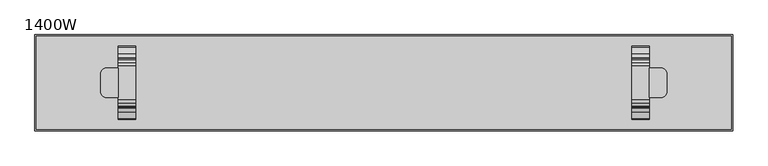
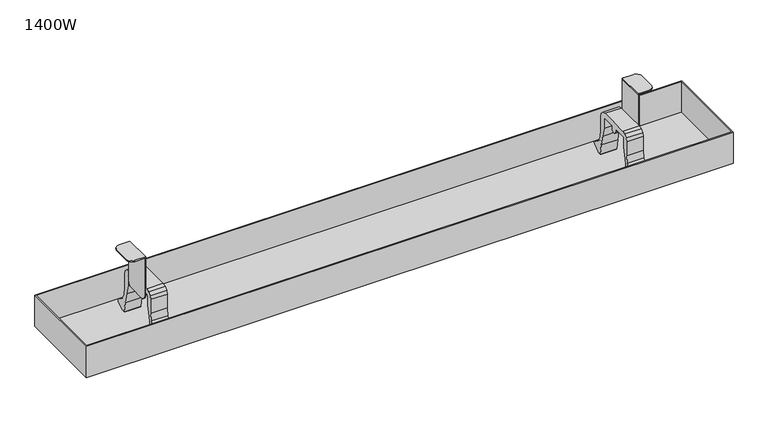
"""IFC4 building model written with IfcOpenShell, lengths in millimetres: furniture geometry, 1400W."""

from ifc_helpers import new_model, si_unit, point, frame, frame_2d, origin, place, context, project, spatial, polyline, circle_curve, trimmed, segment, composite_curve, outline, extrude, faceted_brep, source, transform, mapped, element, save
from ifc_brep_helpers import plane_surface, cylinder_surface, advanced_brep


def furniture_1400w_ddcd06ac(model_context):
    return source(origin(), model_context, "Body", "SolidModel", [
        extrude(outline(composite_curve([segment(polyline([(28.25, 655.6089449), (34.75, 653.8672752), (39.5083302, 649.1089449), (41.25, 642.6089449), (41.25, 615.6089449), (42.9555126, 601.8121279), (49.9457921, 589.7956007), (61.0960118, 581.4929784), (62.5288578, 580.072514), (62.737976, 578.0657663), (61.6287805, 576.3804021), (49.988664, 567.6162242), (49.988664, 564.2297166), (51.9354374, 563.6484872), (53.2695938, 561.9968693), (53.406724, 559.8781409), (52.2966018, 558.0683222), (42.3770369, 549.4873279)]), True, "CONTINUOUS"), segment(trimmed(circle_curve(frame_2d((41.6448692, 550.1324462)), 0.9758316), [point((42.3770369, 549.4873279))], [point((40.6690514, 550.1272622))], False, "CARTESIAN"), True, "CONTINUOUS"), segment(polyline([(40.6690514, 550.1272622), (40.6597451, 551.8790344), (40.8692786, 553.618255), (41.2943712, 555.3176928), (41.9578918, 557.08863), (42.988664, 559.1689888), (42.988664, 567.673425), (39.9005757, 587.3273398), (36.0103541, 606.457322), (31.25, 625.5024109), (31.25, 642.6089449), (30.8480762, 644.1089449), (29.75, 645.2070212), (28.25, 645.6089449), (5.75, 645.6089449), (5.75, 640.6089449), (4.6518477, 637.2291797), (1.7768477, 635.14037), (-1.7768477, 635.14037), (-4.6518477, 637.2291797), (-5.75, 640.6089449), (-5.75, 645.6089449), (-28.25, 645.6089449), (-29.75, 645.2070212), (-30.8480762, 644.1089449), (-31.25, 642.6089449), (-31.25, 625.5024109), (-36.0103541, 606.457322), (-39.9005757, 587.3273398), (-42.988664, 567.673425), (-42.988664, 559.1689888), (-41.9578918, 557.08863), (-41.2943712, 555.3176928), (-40.8692786, 553.618255), (-40.6597451, 551.8790344), (-40.6690514, 550.1272622)]), True, "CONTINUOUS"), segment(trimmed(circle_curve(frame_2d((-41.6448692, 550.1324462)), 0.9758316), [point((-40.6690514, 550.1272622))], [point((-42.3770369, 549.4873279))], False, "CARTESIAN"), True, "CONTINUOUS"), segment(polyline([(-42.3770369, 549.4873279), (-52.2966018, 558.0683222), (-53.406724, 559.8781409), (-53.2695938, 561.9968693), (-51.9354374, 563.6484872), (-49.988664, 564.2297166), (-49.988664, 567.6162242), (-61.6287805, 576.3804021), (-62.737976, 578.0657663), (-62.5288578, 580.072514), (-61.0960118, 581.4929784), (-49.9457921, 589.7956007), (-42.9555126, 601.8121279), (-41.25, 615.6089449), (-41.25, 642.6089449), (-39.5083302, 649.1089449), (-34.75, 653.8672752), (-28.25, 655.6089449), (28.25, 655.6089449)]), True, "CONTINUOUS")], self_intersect=False)), frame((423.0, 0.0, 0.0), z_axis=(1.0, 0.0, 0.0), x_axis=(0.0, 1.0, 0.0)), (0.0, 0.0, 1.0), 30.0),
        extrude(outline(composite_curve([segment(polyline([(28.25, 655.6089449), (34.75, 653.8672752), (39.5083302, 649.1089449), (41.25, 642.6089449), (41.25, 615.6089449), (42.9555126, 601.8121279), (49.9457921, 589.7956007), (61.0960118, 581.4929784), (62.5288578, 580.072514), (62.737976, 578.0657663), (61.6287805, 576.3804021), (49.988664, 567.6162242), (49.988664, 564.2297166), (51.9354374, 563.6484872), (53.2695938, 561.9968693), (53.406724, 559.8781409), (52.2966018, 558.0683222), (42.3770369, 549.4873279)]), True, "CONTINUOUS"), segment(trimmed(circle_curve(frame_2d((41.6448692, 550.1324462)), 0.9758316), [point((42.3770369, 549.4873279))], [point((40.6690514, 550.1272622))], False, "CARTESIAN"), True, "CONTINUOUS"), segment(polyline([(40.6690514, 550.1272622), (40.6597451, 551.8790344), (40.8692786, 553.618255), (41.2943712, 555.3176928), (41.9578918, 557.08863), (42.988664, 559.1689888), (42.988664, 567.673425), (39.9005757, 587.3273398), (36.0103541, 606.457322), (31.25, 625.5024109), (31.25, 642.6089449), (30.8480762, 644.1089449), (29.75, 645.2070212), (28.25, 645.6089449), (5.75, 645.6089449), (5.75, 640.6089449), (4.6518477, 637.2291797), (1.7768477, 635.14037), (-1.7768477, 635.14037), (-4.6518477, 637.2291797), (-5.75, 640.6089449), (-5.75, 645.6089449), (-28.25, 645.6089449), (-29.75, 645.2070212), (-30.8480762, 644.1089449), (-31.25, 642.6089449), (-31.25, 625.5024109), (-36.0103541, 606.457322), (-39.9005757, 587.3273398), (-42.988664, 567.673425), (-42.988664, 559.1689888), (-41.9578918, 557.08863), (-41.2943712, 555.3176928), (-40.8692786, 553.618255), (-40.6597451, 551.8790344), (-40.6690514, 550.1272622)]), True, "CONTINUOUS"), segment(trimmed(circle_curve(frame_2d((-41.6448692, 550.1324462)), 0.9758316), [point((-40.6690514, 550.1272622))], [point((-42.3770369, 549.4873279))], False, "CARTESIAN"), True, "CONTINUOUS"), segment(polyline([(-42.3770369, 549.4873279), (-52.2966018, 558.0683222), (-53.406724, 559.8781409), (-53.2695938, 561.9968693), (-51.9354374, 563.6484872), (-49.988664, 564.2297166), (-49.988664, 567.6162242), (-61.6287805, 576.3804021), (-62.737976, 578.0657663), (-62.5288578, 580.072514), (-61.0960118, 581.4929784), (-49.9457921, 589.7956007), (-42.9555126, 601.8121279), (-41.25, 615.6089449), (-41.25, 642.6089449), (-39.5083302, 649.1089449), (-34.75, 653.8672752), (-28.25, 655.6089449), (28.25, 655.6089449)]), True, "CONTINUOUS")], self_intersect=False)), frame((-453.0, 0.0, 0.0), z_axis=(1.0, 0.0, 0.0), x_axis=(0.0, 1.0, 0.0)), (0.0, 0.0, 1.0), 30.0),
        faceted_brep([(593.0, 80.0, 567.0), (-593.0, 80.0, 567.0), (-593.0, -80.0, 567.0), (593.0, -80.0, 567.0), (593.0, 80.0, 626.0), (-593.0, 80.0, 626.0), (-593.0, -80.0, 626.0), (593.0, -80.0, 626.0), (595.0, -82.0, 626.0), (595.0, 82.0, 626.0), (-595.0, 82.0, 626.0), (-595.0, -82.0, 626.0), (595.0, -82.0, 565.0), (-595.0, -82.0, 565.0), (-595.0, 82.0, 565.0), (595.0, 82.0, 565.0)], [[[0, 1, 2, 3]], [[1, 0, 4, 5]], [[2, 1, 5, 6]], [[3, 2, 6, 7]], [[0, 3, 7, 4]], [[8, 9, 10, 11], [5, 4, 7, 6]], [[12, 13, 14, 15]], [[9, 8, 12, 15]], [[10, 9, 15, 14]], [[11, 10, 14, 13]], [[8, 11, 13, 12]]]),
        extrude(outline(composite_curve([segment(trimmed(circle_curve(frame_2d((473.0, 14.9999998)), 10.0), [point((473.0, 24.9999998))], [point((483.0, 14.9999998))], False, "CARTESIAN"), True, "CONTINUOUS"), segment(polyline([(483.0, 14.9999998), (483.0, -15.0000002)]), True, "CONTINUOUS"), segment(trimmed(circle_curve(frame_2d((473.0, -15.0000002)), 10.0), [point((483.0, -15.0000002))], [point((473.0, -25.0000002))], False, "CARTESIAN"), True, "CONTINUOUS"), segment(polyline([(473.0, -25.0000002), (453.0, -25.0000002), (453.0, 24.9999998), (473.0, 24.9999998)]), True, "CONTINUOUS")], self_intersect=False)), frame((0.0, 0.0, 713.6089449), z_axis=(0.0, 0.0, 1.0), x_axis=(1.0, 0.0, 0.0)), (0.0, 0.0, 1.0), 2.0),
        extrude(outline(polyline([(24.9999998, 640.6089449), (23.6602538, 635.6089449), (19.9999998, 631.9486909), (14.9999998, 630.6089449), (-15.0000002, 630.6089449), (-20.0000002, 631.9486909), (-23.6602542, 635.6089449), (-25.0000002, 640.6089449), (-25.0000002, 715.6089449), (24.9999998, 715.6089449), (24.9999998, 640.6089449)])), frame((453.0, 0.0, 0.0), z_axis=(1.0, 0.0, 0.0), x_axis=(0.0, 1.0, 0.0)), (0.0, 0.0, 1.0), 2.0),
        advanced_brep(
        [(-453.0, 24.9999998, 715.6089449), (-473.0, 24.9999998, 715.6089449), (-483.0, 14.9999998, 715.6089449), (-483.0, -15.0000002, 715.6089449), (-473.0, -25.0000002, 715.6089449), (-453.0, -25.0000002, 715.6089449), (-473.0, -25.0000002, 713.6089449), (-483.0, -15.0000002, 713.6089449), (-483.0, 14.9999998, 713.6089449), (-473.0, 24.9999998, 713.6089449), (-455.0, 24.9999998, 713.6089449), (-455.0, -25.0000002, 713.6089449), (-455.0, -25.0000002, 640.6089449), (-453.0, -25.0000002, 640.6089449), (-453.0, -23.6602542, 635.6089449), (-453.0, -20.0000002, 631.9486909), (-453.0, -15.0000002, 630.6089449), (-453.0, 14.9999998, 630.6089449), (-453.0, 19.9999998, 631.9486909), (-453.0, 23.6602538, 635.6089449), (-453.0, 24.9999998, 640.6089449), (-455.0, 24.9999998, 640.6089449), (-455.0, 23.6602538, 635.6089449), (-455.0, 19.9999998, 631.9486909), (-455.0, 14.9999998, 630.6089449), (-455.0, -15.0000002, 630.6089449), (-455.0, -20.0000002, 631.9486909), (-455.0, -23.6602542, 635.6089449)],
        [
            (0, 1),
            (1, 2, circle_curve(frame((-473.0, 14.9999998, 715.6089449), z_axis=(0.0, 0.0, 1.0), x_axis=(1.0, 0.0, 0.0)), 10.0)),
            (2, 3),
            (3, 4, circle_curve(frame((-473.0, -15.0000002, 715.6089449), z_axis=(0.0, 0.0, 1.0), x_axis=(1.0, 0.0, 0.0)), 10.0)),
            (4, 5),
            (5, 0),
            (6, 7, circle_curve(frame((-473.0, -15.0000002, 713.6089449), z_axis=(0.0, 0.0, -1.0), x_axis=(1.0, 0.0, 0.0)), 10.0)),
            (7, 8),
            (8, 9, circle_curve(frame((-473.0, 14.9999998, 713.6089449), z_axis=(0.0, 0.0, -1.0), x_axis=(1.0, 0.0, 0.0)), 10.0)),
            (9, 10),
            (10, 11),
            (11, 6),
            (2, 8),
            (7, 3),
            (4, 6),
            (11, 12),
            (12, 13),
            (13, 5),
            (13, 14),
            (14, 15),
            (15, 16),
            (16, 17),
            (17, 18),
            (18, 19),
            (19, 20),
            (20, 0),
            (20, 21),
            (21, 10),
            (9, 1),
            (21, 22),
            (22, 23),
            (23, 24),
            (24, 25),
            (25, 26),
            (26, 27),
            (27, 12),
            (27, 14),
            (26, 15),
            (25, 16),
            (24, 17),
            (23, 18),
            (22, 19),
        ],
        [
            plane_surface(frame((-463.0, 14.9999998, 715.6089449), z_axis=(0.0, 0.0, 1.0), x_axis=(0.0, 1.0, 0.0))),
            plane_surface(frame((-463.0, 14.9999998, 713.6089449), z_axis=(0.0, 0.0, -1.0), x_axis=(0.0, -1.0, 0.0))),
            plane_surface(frame((-483.0, 14.9999998, 715.6089449), z_axis=(-1.0, 0.0, 0.0), x_axis=(0.0, 0.0, -1.0))),
            plane_surface(frame((-473.0, -25.0000002, 715.6089449), z_axis=(0.0, -1.0, 0.0), x_axis=(0.0, 0.0, -1.0))),
            plane_surface(frame((-453.0, -25.0000002, 715.6089449), z_axis=(1.0, 0.0, 0.0), x_axis=(0.0, 0.0, -1.0))),
            plane_surface(frame((-453.0, 24.9999998, 715.6089449), z_axis=(0.0, 1.0, 0.0), x_axis=(0.0, 0.0, -1.0))),
            plane_surface(frame((-455.0, 24.9999998, 715.6089449), z_axis=(-1.0, 0.0, 0.0), x_axis=(0.0, 0.0, -1.0))),
            plane_surface(frame((-453.0, -25.0000002, 640.6089449), z_axis=(0.0, -0.9659258262890794, -0.25881904510247955), x_axis=(-1.0, 0.0, 0.0))),
            plane_surface(frame((-453.0, -23.6602542, 635.6089449), z_axis=(0.0, -0.7071067811865787, -0.7071067811865165), x_axis=(-1.0, 0.0, 0.0))),
            plane_surface(frame((-453.0, -20.0000002, 631.9486909), z_axis=(0.0, -0.2588190451025777, -0.9659258262890531), x_axis=(-1.0, 0.0, 0.0))),
            plane_surface(frame((-453.0, -15.0000002, 630.6089449), z_axis=(0.0, 0.0, -1.0), x_axis=(-1.0, 0.0, 0.0))),
            plane_surface(frame((-453.0, 14.9999998, 630.6089449), z_axis=(0.0, 0.2588190451024751, -0.9659258262890805), x_axis=(-1.0, 0.0, 0.0))),
            plane_surface(frame((-453.0, 19.9999998, 631.9486909), z_axis=(0.0, 0.7071067811865112, -0.7071067811865839), x_axis=(-1.0, 0.0, 0.0))),
            plane_surface(frame((-453.0, 23.6602538, 635.6089449), z_axis=(0.0, 0.9659258262890469, -0.2588190451026009), x_axis=(-1.0, 0.0, 0.0))),
            cylinder_surface(frame((-473.0, 14.9999998, 713.6089449), z_axis=(0.0, 0.0, 1.0), x_axis=(1.0, 0.0, 0.0)), 10.0),
            cylinder_surface(frame((-473.0, -15.0000002, 713.6089449), z_axis=(0.0, 0.0, 1.0), x_axis=(1.0, 0.0, 0.0)), 10.0),
        ],
        [
            (0, [[1, 2, 3, 4, 5, 6]]),
            (1, [[7, 8, 9, 10, 11, 12]]),
            (2, [[-3, 13, -8, 14]]),
            (3, [[15, -12, 16, 17, 18, -5]]),
            (4, [[-6, -18, 19, 20, 21, 22, 23, 24, 25, 26]]),
            (5, [[-26, 27, 28, -10, 29, -1]]),
            (6, [[30, 31, 32, 33, 34, 35, 36, -16, -11, -28]]),
            (7, [[-19, -17, -36, 37]]),
            (8, [[-20, -37, -35, 38]]),
            (9, [[-21, -38, -34, 39]]),
            (10, [[-22, -39, -33, 40]]),
            (11, [[-23, -40, -32, 41]]),
            (12, [[-24, -41, -31, 42]]),
            (13, [[-25, -42, -30, -27]]),
            (14, [[-2, -29, -9, -13]]),
            (15, [[-4, -14, -7, -15]]),
        ],
    ),
    ])


if __name__ == "__main__":
    model = new_model("IFC4")
    model_context = context("Model", 3, world=origin())
    ifc_project = project(units=[si_unit("LENGTHUNIT", "METRE", prefix="MILLI")], contexts=[model_context])
    site = spatial("IfcSite", under=ifc_project)
    building = spatial("IfcBuilding", under=site)
    placement = place(None, origin())
    furniture_1400w_shape = furniture_1400w_ddcd06ac(model_context)
    element("IfcFurniture", 1, ObjectType="1400W", at=placement, inside=building, context=model_context, shape_type="MappedRepresentation", body=[
        mapped(furniture_1400w_shape, transform((0.0, 0.0, 0.0), x_axis=(1.0, 0.0, 0.0), y_axis=(0.0, 1.0, 0.0), z_axis=(0.0, 0.0, 1.0))),
    ])
    save(model, "model.ifc")
